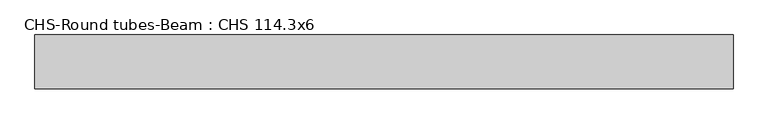
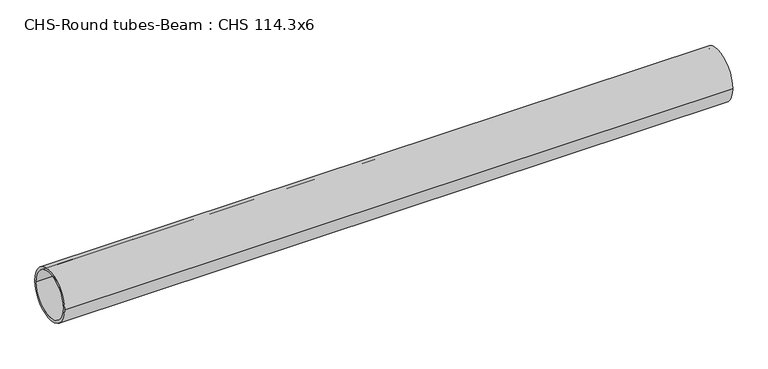
"""IFC4 building model written with IfcOpenShell, lengths in millimetres: beam geometry, CHS-Round tubes-Beam : CHS 114.3x6."""

import ifcopenshell
import ifcopenshell.guid

model = None  # the IFC model being written
_history = None  # IfcOwnerHistory: only IFC2X3 demands one
_inside = {}  # id of a spatial element -> (the spatial element, [elements in it])
_under = {}  # id of a project, library or spatial element -> (it, [spatial elements below it])
_declared = {}  # id of a project -> (the project, [libraries it declares])
_typed = {}  # id of a type object -> (the type object, [elements of that type])
_made_of = {}  # id of a material, layer set ... -> (it, [elements and type objects made of it])


def new_model(schema):
    """Start an empty IFC model of exactly this schema.

    Asked for "IFC4X3", IfcOpenShell would pick the latest addendum, in which some entities
    have other attributes; the version numbers below select the first issue.
    IFC2X3 requires an IfcOwnerHistory on every rooted entity: one is made here for all.
    """
    global model, _history
    if schema == "IFC4X3":
        model = ifcopenshell.file(schema_version=(4, 3, 0, 0))
    else:
        model = ifcopenshell.file(schema=schema)
    _inside.clear()
    _under.clear()
    _declared.clear()
    _typed.clear()
    _made_of.clear()
    _history = None
    if model.schema == "IFC2X3":
        org = make("IfcOrganization", Name="unknown")
        user = make(
            "IfcPersonAndOrganization",
            ThePerson=make("IfcPerson", FamilyName="unknown"),
            TheOrganization=org,
        )
        app = make(
            "IfcApplication",
            ApplicationDeveloper=org,
            Version="unknown",
            ApplicationFullName="unknown",
            ApplicationIdentifier="unknown",
        )
        _history = make(
            "IfcOwnerHistory",
            OwningUser=user,
            OwningApplication=app,
            ChangeAction="ADDED",
            CreationDate=0,
        )
    return model


def make(cls, **values):
    """One entity of the class cls with the attributes given. An attribute that is None is left unset."""
    return model.create_entity(
        cls, **{name: value for name, value in values.items() if value is not None}
    )


def rooted(cls, **values):
    """An entity with a GlobalId (a new one), such as an element, a storey or a relation."""
    return make(cls, GlobalId=ifcopenshell.guid.new(), OwnerHistory=_history, **values)


def si_unit(unit_type, name, prefix=None):
    """IfcSIUnit, for example si_unit("LENGTHUNIT", "METRE", prefix="MILLI")."""
    return make("IfcSIUnit", UnitType=unit_type, Prefix=prefix, Name=name)


def assignment(units):
    """IfcUnitAssignment: the units of a project."""
    return None if units is None else make("IfcUnitAssignment", Units=units)


def point(xyz):
    """IfcCartesianPoint."""
    return None if xyz is None else make("IfcCartesianPoint", Coordinates=xyz)


def direction(xyz):
    """IfcDirection."""
    return None if xyz is None else make("IfcDirection", DirectionRatios=xyz)


def frame(location, z_axis=None, x_axis=None):
    """IfcAxis2Placement3D, a coordinate frame: its origin and axes. An axis left out is left unset."""
    return make(
        "IfcAxis2Placement3D",
        Location=point(location),
        Axis=direction(z_axis),
        RefDirection=direction(x_axis),
    )


def frame_2d(location, x_axis=None):
    """IfcAxis2Placement2D, a coordinate frame in the plane: its origin and x axis."""
    return make(
        "IfcAxis2Placement2D", Location=point(location), RefDirection=direction(x_axis)
    )


def origin():
    """The frame at (0, 0, 0) with its axes left unset."""
    return frame((0.0, 0.0, 0.0))


def origin_2d():
    """The frame at (0, 0) in the plane with its x axis left unset."""
    return frame_2d((0.0, 0.0))


def place(relative_to, where):
    """IfcLocalPlacement: puts the frame where relative to a parent placement (None: the world)."""
    return make(
        "IfcLocalPlacement", PlacementRelTo=relative_to, RelativePlacement=where
    )


def context(
    kind, dimensions, precision=None, world=None, true_north=None, identifier=None
):
    """IfcGeometricRepresentationContext, for example the 3D "Model" context."""
    return make(
        "IfcGeometricRepresentationContext",
        ContextIdentifier=identifier,
        ContextType=kind,
        CoordinateSpaceDimension=dimensions,
        Precision=precision,
        WorldCoordinateSystem=world,
        TrueNorth=true_north,
    )


def project(units=None, contexts=None):
    """IfcProject with its units and contexts."""
    return rooted(
        "IfcProject",
        Name="project",
        RepresentationContexts=contexts,
        UnitsInContext=assignment(units),
    )


def spatial(cls, under=None, at=None, **own):
    """A site, building, storey or space (cls), placed at a placement, below another one or the project."""
    s = rooted(cls, ObjectPlacement=at, **own)
    if under is not None:
        _under.setdefault(under.id(), (under, []))[1].append(s)
    return s


def circle_curve(where, radius):
    """IfcCircle in the frame where."""
    return make("IfcCircle", Position=where, Radius=radius)


def trimmed(basis, trim1, trim2, sense, master):
    """IfcTrimmedCurve: the piece of a basis curve between two trims."""
    return make(
        "IfcTrimmedCurve",
        BasisCurve=basis,
        Trim1=trim1,
        Trim2=trim2,
        SenseAgreement=sense,
        MasterRepresentation=master,
    )


def segment(curve, same_sense, transition):
    """IfcCompositeCurveSegment."""
    return make(
        "IfcCompositeCurveSegment",
        Transition=transition,
        SameSense=same_sense,
        ParentCurve=curve,
    )


def composite_curve(segments, self_intersect=None):
    """IfcCompositeCurve: segments joined end to end."""
    return make("IfcCompositeCurve", Segments=segments, SelfIntersect=self_intersect)


def outline(outer, holes=None, kind="AREA"):
    """IfcArbitraryClosedProfileDef: a profile drawn as a closed curve; with holes, ...WithVoids."""
    if holes is None:
        return make("IfcArbitraryClosedProfileDef", ProfileType=kind, OuterCurve=outer)
    return make(
        "IfcArbitraryProfileDefWithVoids",
        ProfileType=kind,
        OuterCurve=outer,
        InnerCurves=holes,
    )


def extrude(swept, where, along, depth):
    """IfcExtrudedAreaSolid: the profile swept, set in the frame where, extruded along a direction by depth."""
    return make(
        "IfcExtrudedAreaSolid",
        SweptArea=swept,
        Position=where,
        ExtrudedDirection=direction(along),
        Depth=depth,
    )


def shape(context_of_items, identifier, shape_type, items):
    """IfcShapeRepresentation: the items that make up one representation, for example the "Body"."""
    return make(
        "IfcShapeRepresentation",
        ContextOfItems=context_of_items,
        RepresentationIdentifier=identifier,
        RepresentationType=shape_type,
        Items=items,
    )


def source(mapping_origin, context_of_items, identifier, shape_type, items):
    """IfcRepresentationMap: a shape defined once, which mapped items show again and again."""
    return make(
        "IfcRepresentationMap",
        MappingOrigin=mapping_origin,
        MappedRepresentation=shape(context_of_items, identifier, shape_type, items),
    )


def transform(
    local_origin,
    x_axis=None,
    y_axis=None,
    z_axis=None,
    scale=None,
    scale2=None,
    scale3=None,
    uniform=True,
):
    """IfcCartesianTransformationOperator3D, or its non-uniform kind. x_axis, y_axis, z_axis: its Axis1, 2, 3."""
    if uniform:
        return make(
            "IfcCartesianTransformationOperator3D",
            Axis1=direction(x_axis),
            Axis2=direction(y_axis),
            LocalOrigin=point(local_origin),
            Scale=scale,
            Axis3=direction(z_axis),
        )
    return make(
        "IfcCartesianTransformationOperator3DnonUniform",
        Axis1=direction(x_axis),
        Axis2=direction(y_axis),
        LocalOrigin=point(local_origin),
        Scale=scale,
        Axis3=direction(z_axis),
        Scale2=scale2,
        Scale3=scale3,
    )


def mapped(mapping_source, mapping_target):
    """IfcMappedItem: shows the shape of a source again, moved by a transform."""
    return make(
        "IfcMappedItem", MappingSource=mapping_source, MappingTarget=mapping_target
    )


def made_of(thing, what):
    """Note that an element or type object is made of a material, layer set ...; save() writes the relation."""
    if what is not None:
        _made_of.setdefault(what.id(), (what, []))[1].append(thing)
    return thing


def element(
    cls,
    number,
    at=None,
    inside=None,
    cuts=None,
    type_object=None,
    material=None,
    context=None,
    identifier="Body",
    shape_type=None,
    held_by="IfcProductDefinitionShape",
    body=None,
    shapes=None,
    **own,
):
    """One element of the class cls, such as IfcWall. Its Tag is "e" and its number.

    at: its placement. inside: the storey or other place that contains it. cuts: it is an
    opening in that element (IfcRelVoidsElement). A single representation is given by context,
    identifier, shape_type and body (its items); several are given by shapes. held_by: the class
    of the entity that holds the representations. save() writes the other relations.
    """
    e = rooted(cls, Tag="e%d" % number, ObjectPlacement=at, **own)
    if body is not None:
        shapes = [shape(context, identifier, shape_type, body)]
    if shapes is not None:
        e.Representation = make(held_by, Representations=shapes)
    if inside is not None:
        _inside.setdefault(inside.id(), (inside, []))[1].append(e)
    if cuts is not None:
        rooted(
            "IfcRelVoidsElement", RelatingBuildingElement=cuts, RelatedOpeningElement=e
        )
    if type_object is not None:
        _typed.setdefault(type_object.id(), (type_object, []))[1].append(e)
    return made_of(e, material)


def aggregate(whole, parts):
    """IfcRelAggregates: a whole, such as a stair, and the parts it consists of."""
    return rooted("IfcRelAggregates", RelatingObject=whole, RelatedObjects=parts)


def save(model, path):
    """Write the relations noted so far, then the file.

    IfcRelAggregates (storeys below a building ...), IfcRelContainedInSpatialStructure (elements
    in a storey), IfcRelDefinesByType, IfcRelAssociatesMaterial and IfcRelDeclares: one each for
    every whole, place, type object, material and project.
    """
    for whole, parts in _under.values():
        aggregate(whole, parts)
    for where, things in _inside.values():
        rooted(
            "IfcRelContainedInSpatialStructure",
            RelatedElements=things,
            RelatingStructure=where,
        )
    for kind, things in _typed.values():
        rooted("IfcRelDefinesByType", RelatedObjects=things, RelatingType=kind)
    for what, things in _made_of.values():
        rooted("IfcRelAssociatesMaterial", RelatedObjects=things, RelatingMaterial=what)
    for by, libraries in _declared.values():
        rooted("IfcRelDeclares", RelatingContext=by, RelatedDefinitions=libraries)
    model.write(path)


def chs_round_tubes_beam_chs_114_3x6_0ff1d19f(model_context):
    return source(origin(), model_context, "Body", "SweptSolid", [
        extrude(outline(composite_curve([segment(trimmed(circle_curve(origin_2d(), 57.15), [point((57.15, 0.0))], [point((-57.15, 0.0))], False, "CARTESIAN"), True, "CONTINUOUS"), segment(trimmed(circle_curve(origin_2d(), 57.15), [point((-57.15, 0.0))], [point((57.15, 0.0))], False, "CARTESIAN"), True, "CONTINUOUS")], self_intersect=False), holes=[composite_curve([segment(trimmed(circle_curve(origin_2d(), 51.15), [point((51.15, 0.0))], [point((-51.15, 0.0))], True, "CARTESIAN"), True, "CONTINUOUS"), segment(trimmed(circle_curve(origin_2d(), 51.15), [point((-51.15, 0.0))], [point((51.15, 0.0))], True, "CARTESIAN"), True, "CONTINUOUS")], self_intersect=False)]), frame((-756.5606484, 0.0, 0.0), z_axis=(1.0, 0.0, 0.0), x_axis=(0.0, 1.0, 0.0)), (0.0, 0.0, 1.0), 1483.4312223),
    ])


if __name__ == "__main__":
    model = new_model("IFC4")
    model_context = context("Model", 3, world=origin())
    ifc_project = project(units=[si_unit("LENGTHUNIT", "METRE", prefix="MILLI")], contexts=[model_context])
    site = spatial("IfcSite", under=ifc_project)
    building = spatial("IfcBuilding", under=site)
    placement = place(None, origin())
    chs_round_tubes_beam_chs_114_3x6_shape = chs_round_tubes_beam_chs_114_3x6_0ff1d19f(model_context)
    element("IfcBeam", 1, ObjectType="CHS-Round tubes-Beam : CHS 114.3x6", at=placement, inside=building, context=model_context, shape_type="MappedRepresentation", body=[
        mapped(chs_round_tubes_beam_chs_114_3x6_shape, transform((0.0, 0.0, 0.0), x_axis=(1.0, 0.0, 0.0), y_axis=(0.0, 1.0, 0.0), z_axis=(0.0, 0.0, 1.0))),
    ])
    save(model, "model.ifc")
